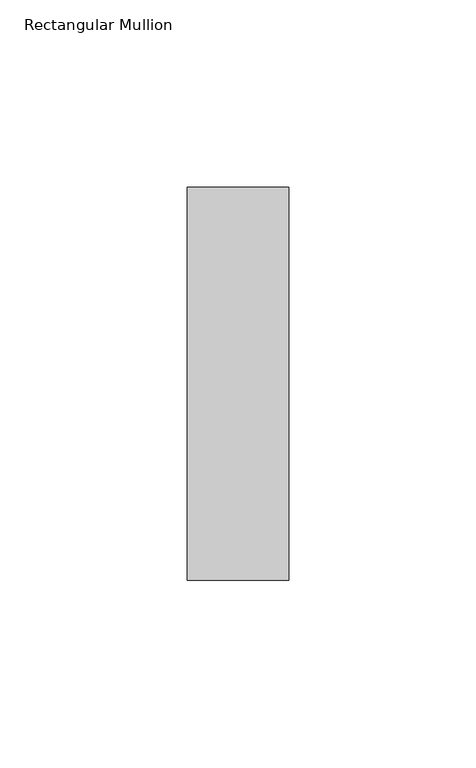
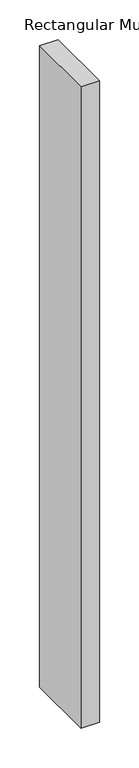
"""IFC4 building model written with IfcOpenShell, lengths in millimetres: member geometry, Rectangular Mullion."""

from ifc_helpers import new_model, si_unit, frame, origin, place, context, project, spatial, polyline, outline, extrude, source, transform, mapped, element, save


def rectangular_mullion_0996954f(model_context):
    return source(origin(), model_context, "Body", "SweptSolid", [
        extrude(outline(polyline([(-27.0, 52.3975), (0.0, 52.3975), (0.0, -52.3975), (-27.0, -52.3975), (-27.0, 52.3975)])), frame((0.0, 0.0, -990.0), z_axis=(0.0, 0.0, 1.0), x_axis=(1.0, 0.0, 0.0)), (0.0, 0.0, 1.0), 990.0),
    ])


if __name__ == "__main__":
    model = new_model("IFC4")
    model_context = context("Model", 3, world=origin())
    ifc_project = project(units=[si_unit("LENGTHUNIT", "METRE", prefix="MILLI")], contexts=[model_context])
    site = spatial("IfcSite", under=ifc_project)
    building = spatial("IfcBuilding", under=site)
    placement = place(None, origin())
    rectangular_mullion_shape = rectangular_mullion_0996954f(model_context)
    element("IfcMember", 1, ObjectType="Rectangular Mullion", at=placement, inside=building, context=model_context, shape_type="MappedRepresentation", body=[
        mapped(rectangular_mullion_shape, transform((0.0, 0.0, 0.0), x_axis=(1.0, 0.0, 0.0), y_axis=(0.0, 1.0, 0.0), z_axis=(0.0, 0.0, 1.0))),
    ])
    save(model, "model.ifc")
